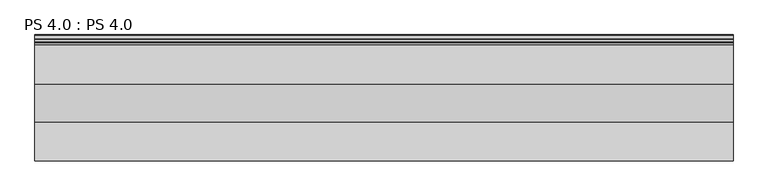
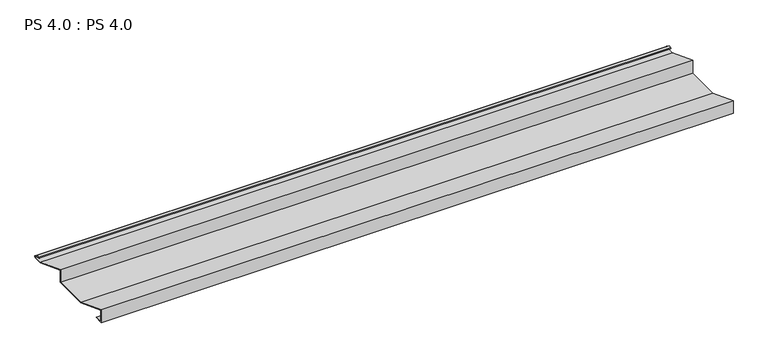
"""IFC4 building model written with IfcOpenShell, lengths in millimetres: proxy geometry, PS 4.0 : PS 4.0."""

from ifc_helpers import new_model, si_unit, point, frame, frame_2d, origin, place, context, project, spatial, polyline, circle_curve, trimmed, segment, composite_curve, outline, extrude, source, transform, mapped, element, save


def ps_4_0_ps_4_0_a4977cbb(model_context):
    return source(origin(), model_context, "Body", "SweptSolid", [
        extrude(outline(composite_curve([segment(polyline([(0.0, 0.0), (0.0, 38.0), (100.0, 0.0), (200.0, 0.0), (200.0, 38.0), (299.9966446, 0.0), (325.0510156, 0.0)]), True, "CONTINUOUS"), segment(trimmed(circle_curve(frame_2d((324.3094696, 1.9153551)), 2.0538928), [point((325.0510156, 0.0))], [point((325.1748462, 3.778041))], True, "CARTESIAN"), True, "CONTINUOUS"), segment(polyline([(325.1748462, 3.778041), (308.7874714, 6.923107)]), True, "CONTINUOUS"), segment(trimmed(circle_curve(frame_2d((309.4078886, 8.6005442)), 1.7884947), [point((308.7874714, 6.923107))], [point((308.9525789, 10.3301125))], False, "CARTESIAN"), True, "CONTINUOUS"), segment(polyline([(308.9525789, 10.3301125), (316.459338, 11.6715995), (316.635255, 10.6871945), (309.1762081, 9.3542338)]), True, "CONTINUOUS"), segment(trimmed(circle_curve(frame_2d((309.4078886, 8.6005442)), 0.7884947), [point((309.1762081, 9.3542338))], [point((309.0735117, 7.8864603))], True, "CARTESIAN"), True, "CONTINUOUS"), segment(polyline([(309.0735117, 7.8864603), (325.4722719, 4.7392091)]), True, "CONTINUOUS"), segment(trimmed(circle_curve(frame_2d((324.3094696, 1.9153551)), 3.0538928), [point((325.4722719, 4.7392091))], [point((325.2188462, -1.0))], False, "CARTESIAN"), True, "CONTINUOUS"), segment(polyline([(325.2188462, -1.0), (299.8130433, -1.0), (201.0, 36.5502164), (201.0, -1.0), (99.8164044, -1.0), (1.0, 36.5502337), (1.0, 1.0), (25.0, 1.0), (25.0, 0.0), (0.0, 0.0)]), True, "CONTINUOUS")], self_intersect=False)), frame((0.0, 0.0, 0.0), z_axis=(1.0, 0.0, 0.0), x_axis=(0.0, 1.0, 0.0)), (0.0, 0.0, 1.0), 1805.6641938),
    ])


if __name__ == "__main__":
    model = new_model("IFC4")
    model_context = context("Model", 3, world=origin())
    ifc_project = project(units=[si_unit("LENGTHUNIT", "METRE", prefix="MILLI")], contexts=[model_context])
    site = spatial("IfcSite", under=ifc_project)
    building = spatial("IfcBuilding", under=site)
    placement = place(None, origin())
    ps_4_0_ps_4_0_shape = ps_4_0_ps_4_0_a4977cbb(model_context)
    element("IfcBuildingElementProxy", 1, Name="PS 4.0 : PS 4.0", ObjectType="PS 4.0 : PS 4.0", at=placement, inside=building, context=model_context, shape_type="MappedRepresentation", body=[
        mapped(ps_4_0_ps_4_0_shape, transform((0.0, 0.0, 0.0), x_axis=(1.0, 0.0, 0.0), y_axis=(0.0, 1.0, 0.0), z_axis=(0.0, 0.0, 1.0))),
    ])
    save(model, "model.ifc")
